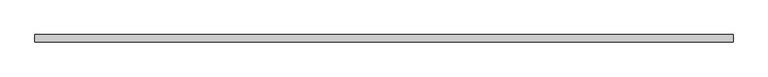
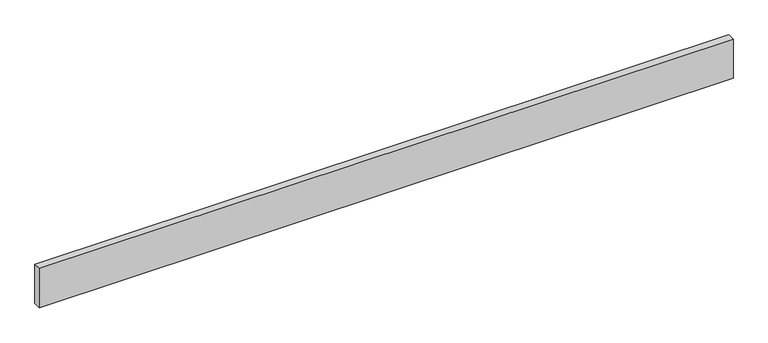
"""IFC4 building model written with IfcOpenShell, lengths in millimetres: beam geometry."""

from ifc_helpers import new_model, si_unit, frame, origin, place, context, project, spatial, polyline, outline, extrude, source, transform, mapped, element, save


def beam_ea657f6e(model_context):
    return source(origin(), model_context, "Body", "SweptSolid", [
        extrude(outline(polyline([(1676.4, -18.0), (-1676.4, -18.0), (-1676.4, 18.0), (1676.4, 18.0), (1676.4, -18.0)])), frame((0.0, 0.0, -100.0), z_axis=(0.0, 0.0, 1.0), x_axis=(1.0, 0.0, 0.0)), (0.0, 0.0, 1.0), 200.0),
    ])


if __name__ == "__main__":
    model = new_model("IFC4")
    model_context = context("Model", 3, world=origin())
    ifc_project = project(units=[si_unit("LENGTHUNIT", "METRE", prefix="MILLI")], contexts=[model_context])
    site = spatial("IfcSite", under=ifc_project)
    building = spatial("IfcBuilding", under=site)
    placement = place(None, origin())
    beam_shape = beam_ea657f6e(model_context)
    element("IfcBeam", 1, at=placement, inside=building, context=model_context, shape_type="MappedRepresentation", body=[
        mapped(beam_shape, transform((0.0, 0.0, 0.0), x_axis=(1.0, 0.0, 0.0), y_axis=(0.0, 1.0, 0.0), z_axis=(0.0, 0.0, 1.0))),
    ])
    save(model, "model.ifc")
